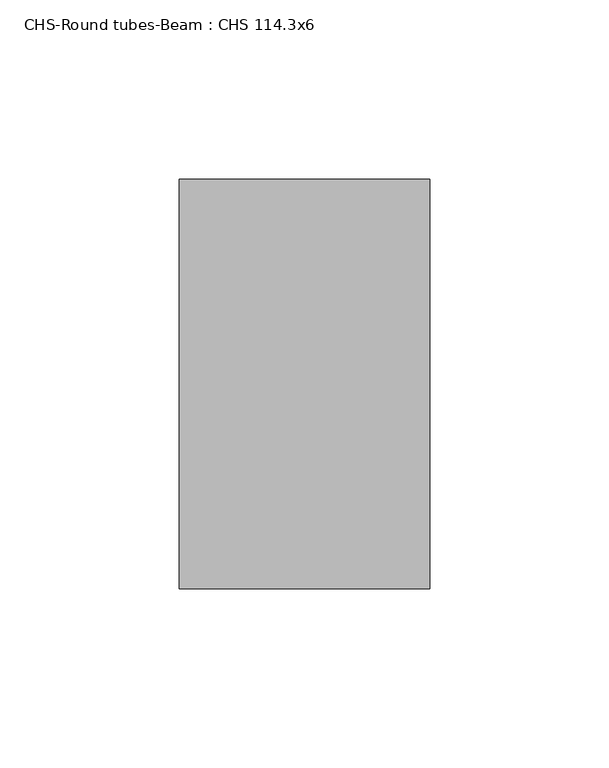
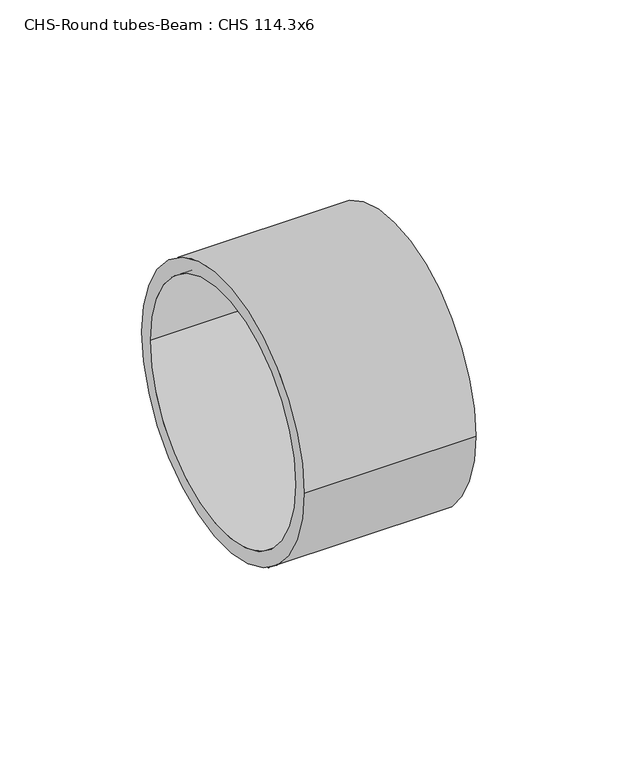
"""IFC4 building model written with IfcOpenShell, lengths in millimetres: beam geometry, CHS-Round tubes-Beam : CHS 114.3x6."""

import ifcopenshell
import ifcopenshell.guid

model = None  # the IFC model being written
_history = None  # IfcOwnerHistory: only IFC2X3 demands one
_inside = {}  # id of a spatial element -> (the spatial element, [elements in it])
_under = {}  # id of a project, library or spatial element -> (it, [spatial elements below it])
_declared = {}  # id of a project -> (the project, [libraries it declares])
_typed = {}  # id of a type object -> (the type object, [elements of that type])
_made_of = {}  # id of a material, layer set ... -> (it, [elements and type objects made of it])


def new_model(schema):
    """Start an empty IFC model of exactly this schema.

    Asked for "IFC4X3", IfcOpenShell would pick the latest addendum, in which some entities
    have other attributes; the version numbers below select the first issue.
    IFC2X3 requires an IfcOwnerHistory on every rooted entity: one is made here for all.
    """
    global model, _history
    if schema == "IFC4X3":
        model = ifcopenshell.file(schema_version=(4, 3, 0, 0))
    else:
        model = ifcopenshell.file(schema=schema)
    _inside.clear()
    _under.clear()
    _declared.clear()
    _typed.clear()
    _made_of.clear()
    _history = None
    if model.schema == "IFC2X3":
        org = make("IfcOrganization", Name="unknown")
        user = make(
            "IfcPersonAndOrganization",
            ThePerson=make("IfcPerson", FamilyName="unknown"),
            TheOrganization=org,
        )
        app = make(
            "IfcApplication",
            ApplicationDeveloper=org,
            Version="unknown",
            ApplicationFullName="unknown",
            ApplicationIdentifier="unknown",
        )
        _history = make(
            "IfcOwnerHistory",
            OwningUser=user,
            OwningApplication=app,
            ChangeAction="ADDED",
            CreationDate=0,
        )
    return model


def make(cls, **values):
    """One entity of the class cls with the attributes given. An attribute that is None is left unset."""
    return model.create_entity(
        cls, **{name: value for name, value in values.items() if value is not None}
    )


def rooted(cls, **values):
    """An entity with a GlobalId (a new one), such as an element, a storey or a relation."""
    return make(cls, GlobalId=ifcopenshell.guid.new(), OwnerHistory=_history, **values)


def si_unit(unit_type, name, prefix=None):
    """IfcSIUnit, for example si_unit("LENGTHUNIT", "METRE", prefix="MILLI")."""
    return make("IfcSIUnit", UnitType=unit_type, Prefix=prefix, Name=name)


def assignment(units):
    """IfcUnitAssignment: the units of a project."""
    return None if units is None else make("IfcUnitAssignment", Units=units)


def point(xyz):
    """IfcCartesianPoint."""
    return None if xyz is None else make("IfcCartesianPoint", Coordinates=xyz)


def direction(xyz):
    """IfcDirection."""
    return None if xyz is None else make("IfcDirection", DirectionRatios=xyz)


def frame(location, z_axis=None, x_axis=None):
    """IfcAxis2Placement3D, a coordinate frame: its origin and axes. An axis left out is left unset."""
    return make(
        "IfcAxis2Placement3D",
        Location=point(location),
        Axis=direction(z_axis),
        RefDirection=direction(x_axis),
    )


def frame_2d(location, x_axis=None):
    """IfcAxis2Placement2D, a coordinate frame in the plane: its origin and x axis."""
    return make(
        "IfcAxis2Placement2D", Location=point(location), RefDirection=direction(x_axis)
    )


def origin():
    """The frame at (0, 0, 0) with its axes left unset."""
    return frame((0.0, 0.0, 0.0))


def origin_2d():
    """The frame at (0, 0) in the plane with its x axis left unset."""
    return frame_2d((0.0, 0.0))


def place(relative_to, where):
    """IfcLocalPlacement: puts the frame where relative to a parent placement (None: the world)."""
    return make(
        "IfcLocalPlacement", PlacementRelTo=relative_to, RelativePlacement=where
    )


def context(
    kind, dimensions, precision=None, world=None, true_north=None, identifier=None
):
    """IfcGeometricRepresentationContext, for example the 3D "Model" context."""
    return make(
        "IfcGeometricRepresentationContext",
        ContextIdentifier=identifier,
        ContextType=kind,
        CoordinateSpaceDimension=dimensions,
        Precision=precision,
        WorldCoordinateSystem=world,
        TrueNorth=true_north,
    )


def project(units=None, contexts=None):
    """IfcProject with its units and contexts."""
    return rooted(
        "IfcProject",
        Name="project",
        RepresentationContexts=contexts,
        UnitsInContext=assignment(units),
    )


def spatial(cls, under=None, at=None, **own):
    """A site, building, storey or space (cls), placed at a placement, below another one or the project."""
    s = rooted(cls, ObjectPlacement=at, **own)
    if under is not None:
        _under.setdefault(under.id(), (under, []))[1].append(s)
    return s


def circle_curve(where, radius):
    """IfcCircle in the frame where."""
    return make("IfcCircle", Position=where, Radius=radius)


def trimmed(basis, trim1, trim2, sense, master):
    """IfcTrimmedCurve: the piece of a basis curve between two trims."""
    return make(
        "IfcTrimmedCurve",
        BasisCurve=basis,
        Trim1=trim1,
        Trim2=trim2,
        SenseAgreement=sense,
        MasterRepresentation=master,
    )


def segment(curve, same_sense, transition):
    """IfcCompositeCurveSegment."""
    return make(
        "IfcCompositeCurveSegment",
        Transition=transition,
        SameSense=same_sense,
        ParentCurve=curve,
    )


def composite_curve(segments, self_intersect=None):
    """IfcCompositeCurve: segments joined end to end."""
    return make("IfcCompositeCurve", Segments=segments, SelfIntersect=self_intersect)


def outline(outer, holes=None, kind="AREA"):
    """IfcArbitraryClosedProfileDef: a profile drawn as a closed curve; with holes, ...WithVoids."""
    if holes is None:
        return make("IfcArbitraryClosedProfileDef", ProfileType=kind, OuterCurve=outer)
    return make(
        "IfcArbitraryProfileDefWithVoids",
        ProfileType=kind,
        OuterCurve=outer,
        InnerCurves=holes,
    )


def extrude(swept, where, along, depth):
    """IfcExtrudedAreaSolid: the profile swept, set in the frame where, extruded along a direction by depth."""
    return make(
        "IfcExtrudedAreaSolid",
        SweptArea=swept,
        Position=where,
        ExtrudedDirection=direction(along),
        Depth=depth,
    )


def shape(context_of_items, identifier, shape_type, items):
    """IfcShapeRepresentation: the items that make up one representation, for example the "Body"."""
    return make(
        "IfcShapeRepresentation",
        ContextOfItems=context_of_items,
        RepresentationIdentifier=identifier,
        RepresentationType=shape_type,
        Items=items,
    )


def source(mapping_origin, context_of_items, identifier, shape_type, items):
    """IfcRepresentationMap: a shape defined once, which mapped items show again and again."""
    return make(
        "IfcRepresentationMap",
        MappingOrigin=mapping_origin,
        MappedRepresentation=shape(context_of_items, identifier, shape_type, items),
    )


def transform(
    local_origin,
    x_axis=None,
    y_axis=None,
    z_axis=None,
    scale=None,
    scale2=None,
    scale3=None,
    uniform=True,
):
    """IfcCartesianTransformationOperator3D, or its non-uniform kind. x_axis, y_axis, z_axis: its Axis1, 2, 3."""
    if uniform:
        return make(
            "IfcCartesianTransformationOperator3D",
            Axis1=direction(x_axis),
            Axis2=direction(y_axis),
            LocalOrigin=point(local_origin),
            Scale=scale,
            Axis3=direction(z_axis),
        )
    return make(
        "IfcCartesianTransformationOperator3DnonUniform",
        Axis1=direction(x_axis),
        Axis2=direction(y_axis),
        LocalOrigin=point(local_origin),
        Scale=scale,
        Axis3=direction(z_axis),
        Scale2=scale2,
        Scale3=scale3,
    )


def mapped(mapping_source, mapping_target):
    """IfcMappedItem: shows the shape of a source again, moved by a transform."""
    return make(
        "IfcMappedItem", MappingSource=mapping_source, MappingTarget=mapping_target
    )


def made_of(thing, what):
    """Note that an element or type object is made of a material, layer set ...; save() writes the relation."""
    if what is not None:
        _made_of.setdefault(what.id(), (what, []))[1].append(thing)
    return thing


def element(
    cls,
    number,
    at=None,
    inside=None,
    cuts=None,
    type_object=None,
    material=None,
    context=None,
    identifier="Body",
    shape_type=None,
    held_by="IfcProductDefinitionShape",
    body=None,
    shapes=None,
    **own,
):
    """One element of the class cls, such as IfcWall. Its Tag is "e" and its number.

    at: its placement. inside: the storey or other place that contains it. cuts: it is an
    opening in that element (IfcRelVoidsElement). A single representation is given by context,
    identifier, shape_type and body (its items); several are given by shapes. held_by: the class
    of the entity that holds the representations. save() writes the other relations.
    """
    e = rooted(cls, Tag="e%d" % number, ObjectPlacement=at, **own)
    if body is not None:
        shapes = [shape(context, identifier, shape_type, body)]
    if shapes is not None:
        e.Representation = make(held_by, Representations=shapes)
    if inside is not None:
        _inside.setdefault(inside.id(), (inside, []))[1].append(e)
    if cuts is not None:
        rooted(
            "IfcRelVoidsElement", RelatingBuildingElement=cuts, RelatedOpeningElement=e
        )
    if type_object is not None:
        _typed.setdefault(type_object.id(), (type_object, []))[1].append(e)
    return made_of(e, material)


def aggregate(whole, parts):
    """IfcRelAggregates: a whole, such as a stair, and the parts it consists of."""
    return rooted("IfcRelAggregates", RelatingObject=whole, RelatedObjects=parts)


def save(model, path):
    """Write the relations noted so far, then the file.

    IfcRelAggregates (storeys below a building ...), IfcRelContainedInSpatialStructure (elements
    in a storey), IfcRelDefinesByType, IfcRelAssociatesMaterial and IfcRelDeclares: one each for
    every whole, place, type object, material and project.
    """
    for whole, parts in _under.values():
        aggregate(whole, parts)
    for where, things in _inside.values():
        rooted(
            "IfcRelContainedInSpatialStructure",
            RelatedElements=things,
            RelatingStructure=where,
        )
    for kind, things in _typed.values():
        rooted("IfcRelDefinesByType", RelatedObjects=things, RelatingType=kind)
    for what, things in _made_of.values():
        rooted("IfcRelAssociatesMaterial", RelatedObjects=things, RelatingMaterial=what)
    for by, libraries in _declared.values():
        rooted("IfcRelDeclares", RelatingContext=by, RelatedDefinitions=libraries)
    model.write(path)


def chs_round_tubes_beam_chs_114_3x6_f2751f5a(model_context):
    return source(origin(), model_context, "Body", "SweptSolid", [
        extrude(outline(composite_curve([segment(trimmed(circle_curve(origin_2d(), 57.15), [point((-57.15, 0.0))], [point((57.15, 0.0))], False, "CARTESIAN"), True, "CONTINUOUS"), segment(trimmed(circle_curve(origin_2d(), 57.15), [point((57.15, 0.0))], [point((-57.15, 0.0))], False, "CARTESIAN"), True, "CONTINUOUS")], self_intersect=False), holes=[composite_curve([segment(trimmed(circle_curve(origin_2d(), 51.15), [point((-51.15, 0.0))], [point((51.15, 0.0))], True, "CARTESIAN"), True, "CONTINUOUS"), segment(trimmed(circle_curve(origin_2d(), 51.15), [point((51.15, 0.0))], [point((-51.15, 0.0))], True, "CARTESIAN"), True, "CONTINUOUS")], self_intersect=False)]), frame((113.7423451, 0.0, 0.0), z_axis=(1.0, 0.0, 0.0), x_axis=(0.0, 1.0, 0.0)), (0.0, 0.0, 1.0), 69.8707891),
    ])


if __name__ == "__main__":
    model = new_model("IFC4")
    model_context = context("Model", 3, world=origin())
    ifc_project = project(units=[si_unit("LENGTHUNIT", "METRE", prefix="MILLI")], contexts=[model_context])
    site = spatial("IfcSite", under=ifc_project)
    building = spatial("IfcBuilding", under=site)
    placement = place(None, origin())
    chs_round_tubes_beam_chs_114_3x6_shape = chs_round_tubes_beam_chs_114_3x6_f2751f5a(model_context)
    element("IfcBeam", 1, ObjectType="CHS-Round tubes-Beam : CHS 114.3x6", at=placement, inside=building, context=model_context, shape_type="MappedRepresentation", body=[
        mapped(chs_round_tubes_beam_chs_114_3x6_shape, transform((0.0, 0.0, 0.0), x_axis=(1.0, 0.0, 0.0), y_axis=(0.0, 1.0, 0.0), z_axis=(0.0, 0.0, 1.0))),
    ])
    save(model, "model.ifc")
